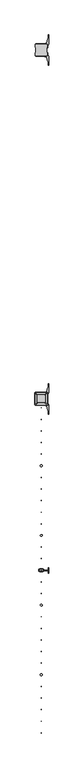
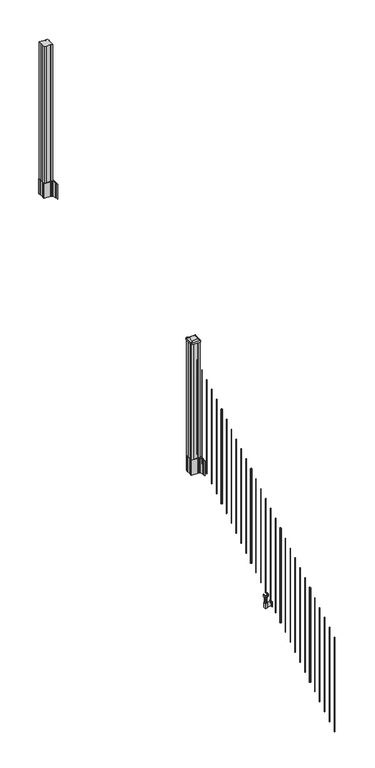
"""IFC4 building model written with IfcOpenShell, lengths in millimetres: railing geometry."""

import ifcopenshell
import ifcopenshell.guid

model = None  # the IFC model being written
_history = None  # IfcOwnerHistory: only IFC2X3 demands one
_inside = {}  # id of a spatial element -> (the spatial element, [elements in it])
_under = {}  # id of a project, library or spatial element -> (it, [spatial elements below it])
_declared = {}  # id of a project -> (the project, [libraries it declares])
_typed = {}  # id of a type object -> (the type object, [elements of that type])
_made_of = {}  # id of a material, layer set ... -> (it, [elements and type objects made of it])


def new_model(schema):
    """Start an empty IFC model of exactly this schema.

    Asked for "IFC4X3", IfcOpenShell would pick the latest addendum, in which some entities
    have other attributes; the version numbers below select the first issue.
    IFC2X3 requires an IfcOwnerHistory on every rooted entity: one is made here for all.
    """
    global model, _history
    if schema == "IFC4X3":
        model = ifcopenshell.file(schema_version=(4, 3, 0, 0))
    else:
        model = ifcopenshell.file(schema=schema)
    _inside.clear()
    _under.clear()
    _declared.clear()
    _typed.clear()
    _made_of.clear()
    _history = None
    if model.schema == "IFC2X3":
        org = make("IfcOrganization", Name="unknown")
        user = make(
            "IfcPersonAndOrganization",
            ThePerson=make("IfcPerson", FamilyName="unknown"),
            TheOrganization=org,
        )
        app = make(
            "IfcApplication",
            ApplicationDeveloper=org,
            Version="unknown",
            ApplicationFullName="unknown",
            ApplicationIdentifier="unknown",
        )
        _history = make(
            "IfcOwnerHistory",
            OwningUser=user,
            OwningApplication=app,
            ChangeAction="ADDED",
            CreationDate=0,
        )
    return model


def make(cls, **values):
    """One entity of the class cls with the attributes given. An attribute that is None is left unset."""
    return model.create_entity(
        cls, **{name: value for name, value in values.items() if value is not None}
    )


def rooted(cls, **values):
    """An entity with a GlobalId (a new one), such as an element, a storey or a relation."""
    return make(cls, GlobalId=ifcopenshell.guid.new(), OwnerHistory=_history, **values)


def si_unit(unit_type, name, prefix=None):
    """IfcSIUnit, for example si_unit("LENGTHUNIT", "METRE", prefix="MILLI")."""
    return make("IfcSIUnit", UnitType=unit_type, Prefix=prefix, Name=name)


def assignment(units):
    """IfcUnitAssignment: the units of a project."""
    return None if units is None else make("IfcUnitAssignment", Units=units)


def point(xyz):
    """IfcCartesianPoint."""
    return None if xyz is None else make("IfcCartesianPoint", Coordinates=xyz)


def direction(xyz):
    """IfcDirection."""
    return None if xyz is None else make("IfcDirection", DirectionRatios=xyz)


def frame(location, z_axis=None, x_axis=None):
    """IfcAxis2Placement3D, a coordinate frame: its origin and axes. An axis left out is left unset."""
    return make(
        "IfcAxis2Placement3D",
        Location=point(location),
        Axis=direction(z_axis),
        RefDirection=direction(x_axis),
    )


def frame_2d(location, x_axis=None):
    """IfcAxis2Placement2D, a coordinate frame in the plane: its origin and x axis."""
    return make(
        "IfcAxis2Placement2D", Location=point(location), RefDirection=direction(x_axis)
    )


def origin():
    """The frame at (0, 0, 0) with its axes left unset."""
    return frame((0.0, 0.0, 0.0))


def place(relative_to, where):
    """IfcLocalPlacement: puts the frame where relative to a parent placement (None: the world)."""
    return make(
        "IfcLocalPlacement", PlacementRelTo=relative_to, RelativePlacement=where
    )


def context(
    kind, dimensions, precision=None, world=None, true_north=None, identifier=None
):
    """IfcGeometricRepresentationContext, for example the 3D "Model" context."""
    return make(
        "IfcGeometricRepresentationContext",
        ContextIdentifier=identifier,
        ContextType=kind,
        CoordinateSpaceDimension=dimensions,
        Precision=precision,
        WorldCoordinateSystem=world,
        TrueNorth=true_north,
    )


def project(units=None, contexts=None):
    """IfcProject with its units and contexts."""
    return rooted(
        "IfcProject",
        Name="project",
        RepresentationContexts=contexts,
        UnitsInContext=assignment(units),
    )


def spatial(cls, under=None, at=None, **own):
    """A site, building, storey or space (cls), placed at a placement, below another one or the project."""
    s = rooted(cls, ObjectPlacement=at, **own)
    if under is not None:
        _under.setdefault(under.id(), (under, []))[1].append(s)
    return s


def polyline(points):
    """IfcPolyline through the points."""
    return make("IfcPolyline", Points=[point(p) for p in points])


def circle_curve(where, radius):
    """IfcCircle in the frame where."""
    return make("IfcCircle", Position=where, Radius=radius)


def trimmed(basis, trim1, trim2, sense, master):
    """IfcTrimmedCurve: the piece of a basis curve between two trims."""
    return make(
        "IfcTrimmedCurve",
        BasisCurve=basis,
        Trim1=trim1,
        Trim2=trim2,
        SenseAgreement=sense,
        MasterRepresentation=master,
    )


def segment(curve, same_sense, transition):
    """IfcCompositeCurveSegment."""
    return make(
        "IfcCompositeCurveSegment",
        Transition=transition,
        SameSense=same_sense,
        ParentCurve=curve,
    )


def composite_curve(segments, self_intersect=None):
    """IfcCompositeCurve: segments joined end to end."""
    return make("IfcCompositeCurve", Segments=segments, SelfIntersect=self_intersect)


def outline(outer, holes=None, kind="AREA"):
    """IfcArbitraryClosedProfileDef: a profile drawn as a closed curve; with holes, ...WithVoids."""
    if holes is None:
        return make("IfcArbitraryClosedProfileDef", ProfileType=kind, OuterCurve=outer)
    return make(
        "IfcArbitraryProfileDefWithVoids",
        ProfileType=kind,
        OuterCurve=outer,
        InnerCurves=holes,
    )


def extrude(swept, where, along, depth):
    """IfcExtrudedAreaSolid: the profile swept, set in the frame where, extruded along a direction by depth."""
    return make(
        "IfcExtrudedAreaSolid",
        SweptArea=swept,
        Position=where,
        ExtrudedDirection=direction(along),
        Depth=depth,
    )


def shape(context_of_items, identifier, shape_type, items):
    """IfcShapeRepresentation: the items that make up one representation, for example the "Body"."""
    return make(
        "IfcShapeRepresentation",
        ContextOfItems=context_of_items,
        RepresentationIdentifier=identifier,
        RepresentationType=shape_type,
        Items=items,
    )


def source(mapping_origin, context_of_items, identifier, shape_type, items):
    """IfcRepresentationMap: a shape defined once, which mapped items show again and again."""
    return make(
        "IfcRepresentationMap",
        MappingOrigin=mapping_origin,
        MappedRepresentation=shape(context_of_items, identifier, shape_type, items),
    )


def transform(
    local_origin,
    x_axis=None,
    y_axis=None,
    z_axis=None,
    scale=None,
    scale2=None,
    scale3=None,
    uniform=True,
):
    """IfcCartesianTransformationOperator3D, or its non-uniform kind. x_axis, y_axis, z_axis: its Axis1, 2, 3."""
    if uniform:
        return make(
            "IfcCartesianTransformationOperator3D",
            Axis1=direction(x_axis),
            Axis2=direction(y_axis),
            LocalOrigin=point(local_origin),
            Scale=scale,
            Axis3=direction(z_axis),
        )
    return make(
        "IfcCartesianTransformationOperator3DnonUniform",
        Axis1=direction(x_axis),
        Axis2=direction(y_axis),
        LocalOrigin=point(local_origin),
        Scale=scale,
        Axis3=direction(z_axis),
        Scale2=scale2,
        Scale3=scale3,
    )


def mapped(mapping_source, mapping_target):
    """IfcMappedItem: shows the shape of a source again, moved by a transform."""
    return make(
        "IfcMappedItem", MappingSource=mapping_source, MappingTarget=mapping_target
    )


def made_of(thing, what):
    """Note that an element or type object is made of a material, layer set ...; save() writes the relation."""
    if what is not None:
        _made_of.setdefault(what.id(), (what, []))[1].append(thing)
    return thing


def element(
    cls,
    number,
    at=None,
    inside=None,
    cuts=None,
    type_object=None,
    material=None,
    context=None,
    identifier="Body",
    shape_type=None,
    held_by="IfcProductDefinitionShape",
    body=None,
    shapes=None,
    **own,
):
    """One element of the class cls, such as IfcWall. Its Tag is "e" and its number.

    at: its placement. inside: the storey or other place that contains it. cuts: it is an
    opening in that element (IfcRelVoidsElement). A single representation is given by context,
    identifier, shape_type and body (its items); several are given by shapes. held_by: the class
    of the entity that holds the representations. save() writes the other relations.
    """
    e = rooted(cls, Tag="e%d" % number, ObjectPlacement=at, **own)
    if body is not None:
        shapes = [shape(context, identifier, shape_type, body)]
    if shapes is not None:
        e.Representation = make(held_by, Representations=shapes)
    if inside is not None:
        _inside.setdefault(inside.id(), (inside, []))[1].append(e)
    if cuts is not None:
        rooted(
            "IfcRelVoidsElement", RelatingBuildingElement=cuts, RelatedOpeningElement=e
        )
    if type_object is not None:
        _typed.setdefault(type_object.id(), (type_object, []))[1].append(e)
    return made_of(e, material)


def aggregate(whole, parts):
    """IfcRelAggregates: a whole, such as a stair, and the parts it consists of."""
    return rooted("IfcRelAggregates", RelatingObject=whole, RelatedObjects=parts)


def save(model, path):
    """Write the relations noted so far, then the file.

    IfcRelAggregates (storeys below a building ...), IfcRelContainedInSpatialStructure (elements
    in a storey), IfcRelDefinesByType, IfcRelAssociatesMaterial and IfcRelDeclares: one each for
    every whole, place, type object, material and project.
    """
    for whole, parts in _under.values():
        aggregate(whole, parts)
    for where, things in _inside.values():
        rooted(
            "IfcRelContainedInSpatialStructure",
            RelatedElements=things,
            RelatingStructure=where,
        )
    for kind, things in _typed.values():
        rooted("IfcRelDefinesByType", RelatedObjects=things, RelatingType=kind)
    for what, things in _made_of.values():
        rooted("IfcRelAssociatesMaterial", RelatedObjects=things, RelatingMaterial=what)
    for by, libraries in _declared.values():
        rooted("IfcRelDeclares", RelatingContext=by, RelatedDefinitions=libraries)
    model.write(path)


def plane_surface(at):
    """IfcPlane: the flat surface through the origin of the frame at, square to its z axis."""
    return make("IfcPlane", Position=at)


def extruded_surface(curve, direction_of_extrusion, depth):
    """IfcSurfaceOfLinearExtrusion: the curve pushed along a direction by depth."""
    return make(
        "IfcSurfaceOfLinearExtrusion",
        SweptCurve=make("IfcArbitraryOpenProfileDef", ProfileType="CURVE", Curve=curve),
        ExtrudedDirection=direction(direction_of_extrusion),
        Depth=depth,
    )


def advanced_brep(points, edges, surfaces, faces):
    """IfcAdvancedBrep: a solid bounded by faces that lie on surfaces and meet in shared edges.

    An edge is (start, end): straight between two places in points (the first is 0);
    or (start, end, curve); or (start, end, curve, False) where it runs against its curve.
    A face is (place in surfaces, loops), or (place, loops, False) where it looks against
    its surface's normal. A loop lists edges by number (the first is 1), with a minus sign
    where the edge is run from its end to its start. The first loop is the outer one.
    """
    corners = [point(p) for p in points]
    vertices = [make("IfcVertexPoint", VertexGeometry=c) for c in corners]
    made = []
    for start, end, *more in edges:
        made.append(
            make(
                "IfcEdgeCurve",
                EdgeStart=vertices[start],
                EdgeEnd=vertices[end],
                EdgeGeometry=more[0] if more else make("IfcPolyline", Points=[corners[start], corners[end]]),
                SameSense=more[1] if len(more) > 1 else True,
            )
        )
    hull = []
    for where, loops, *sense in faces:
        bounds = []
        for j, loop in enumerate(loops):
            ring = [make("IfcOrientedEdge", EdgeElement=made[abs(k) - 1], Orientation=k > 0) for k in loop]
            bounds.append(
                make(
                    "IfcFaceOuterBound" if j == 0 else "IfcFaceBound",
                    Bound=make("IfcEdgeLoop", EdgeList=ring),
                    Orientation=True,
                )
            )
        hull.append(make("IfcAdvancedFace", Bounds=bounds, FaceSurface=surfaces[where], SameSense=sense[0] if sense else True))
    return make("IfcAdvancedBrep", Outer=make("IfcClosedShell", CfsFaces=hull))


def railing_956909bb(model_context):
    return source(origin(), model_context, "Body", "SolidModel", [
        extrude(outline(composite_curve([segment(polyline([(10012.5302728, -85037.4489401), (10012.5302728, -85002.6767504), (10010.9427728, -85001.9147504), (10010.9427728, -84979.1128224), (10014.3157498, -84975.7398453), (10075.7754206, -84975.7398453), (10075.7754206, -84974.8190953), (10081.0929645, -84974.8190953), (10081.0929645, -84973.3648406), (10086.1774942, -84973.3648406), (10086.1774942, -84972.0808168), (10087.8447665, -84972.0808168)]), True, "CONTINUOUS"), segment(trimmed(circle_curve(frame_2d((10087.8447665, -84965.0213569)), 7.0594599), [point((10087.8447665, -84972.0808168))], [point((10094.6120293, -84967.0313636))], True, "CARTESIAN"), True, "CONTINUOUS"), segment(polyline([(10094.6120293, -84967.0313636), (10102.4862236, -84940.5206345)]), True, "CONTINUOUS"), segment(trimmed(circle_curve(frame_2d((10047.7017103, -84924.2485848)), 57.15), [point((10102.4862236, -84940.5206345))], [point((10104.8517103, -84924.2485848))], True, "CARTESIAN"), True, "CONTINUOUS"), segment(polyline([(10104.8517103, -84924.2485848), (10104.8517103, -84912.2398453), (10107.8517103, -84912.2398453), (10107.8517103, -84977.3273453), (10099.5887728, -84988.6656366), (10099.5887728, -85001.9147504), (10098.0012728, -85002.6767504), (10098.0012728, -85037.4489401), (10099.5887728, -85038.2109401), (10099.5887728, -85051.460054), (10107.8517103, -85062.7983453), (10107.8517103, -85127.8858453), (10104.8517103, -85127.8858453), (10104.8517103, -85115.8771057)]), True, "CONTINUOUS"), segment(trimmed(circle_curve(frame_2d((10047.7017103, -85115.8771057)), 57.15), [point((10104.8517103, -85115.8771057))], [point((10102.4862236, -85099.6050561))], True, "CARTESIAN"), True, "CONTINUOUS"), segment(polyline([(10102.4862236, -85099.6050561), (10094.6120293, -85073.094327)]), True, "CONTINUOUS"), segment(trimmed(circle_curve(frame_2d((10087.8447665, -85075.1043337)), 7.0594599), [point((10094.6120293, -85073.094327))], [point((10087.8447665, -85068.0448738))], True, "CARTESIAN"), True, "CONTINUOUS"), segment(polyline([(10087.8447665, -85068.0448738), (10086.1774942, -85068.0448738), (10086.1774942, -85066.76085), (10081.0929645, -85066.76085), (10081.0929645, -85065.3065953), (10075.7754206, -85065.3065953), (10075.7754206, -85064.3858453), (10014.3157498, -85064.3858453), (10010.9427728, -85061.0128682), (10010.9427728, -85038.2109401), (10012.5302728, -85037.4489401)]), True, "CONTINUOUS")], self_intersect=False), holes=[polyline([(10096.5407728, -84980.3753453), (10094.9532728, -84978.7878453), (10058.0289902, -84978.7878453), (10015.5782728, -84978.7878453), (10013.9907728, -84980.3753453), (10013.9907728, -85059.7503453), (10015.5782728, -85061.3378453), (10058.0289902, -85061.3378453), (10094.9532728, -85061.3378453), (10096.5407728, -85059.7503453), (10096.5407728, -84980.3753453)])]), frame((0.0, 0.0, 1562.1), z_axis=(0.0, 0.0, 1.0), x_axis=(1.0, 0.0, 0.0)), (0.0, 0.0, 1.0), 152.4),
        advanced_brep(
        [(10081.0626478, -85049.0347203, 2926.839263), (10084.2376478, -85045.8597203, 2926.839263), (10084.2376478, -84994.2659703, 2926.839263), (10081.0626478, -84991.0909703, 2926.839263), (10029.4688978, -84991.0909703, 2926.839263), (10026.2938978, -84994.2659703, 2926.839263), (10026.2938978, -85045.8597203, 2926.839263), (10029.4688978, -85049.0347203, 2926.839263), (10097.3345228, -85065.3065953, 2915.536263), (10013.1970228, -85065.3065953, 2915.536263), (10010.0220228, -85062.1315953, 2915.536263), (10010.0220228, -84977.9940953, 2915.536263), (10013.1970228, -84974.8190953, 2915.536263), (10097.3345228, -84974.8190953, 2915.536263), (10100.5095228, -84977.9940953, 2915.536263), (10100.5095228, -85062.1315953, 2915.536263)],
        [
            (0, 1, circle_curve(frame((10081.0626478, -85045.8597203, 2926.839263), z_axis=(0.0, 0.0, 1.0), x_axis=(0.0, 1.0, 0.0)), 3.175)),
            (1, 2),
            (2, 3, circle_curve(frame((10081.0626478, -84994.2659703, 2926.839263), z_axis=(0.0, 0.0, 1.0), x_axis=(0.0, 1.0, 0.0)), 3.175)),
            (3, 4),
            (4, 5, circle_curve(frame((10029.4688978, -84994.2659703, 2926.839263), z_axis=(0.0, 0.0, 1.0), x_axis=(0.0, 1.0, 0.0)), 3.175)),
            (5, 6),
            (6, 7, circle_curve(frame((10029.4688978, -85045.8597203, 2926.839263), z_axis=(0.0, 0.0, 1.0), x_axis=(0.0, 1.0, 0.0)), 3.175)),
            (7, 0),
            (8, 9),
            (9, 10, circle_curve(frame((10013.1970228, -85062.1315953, 2915.536263), z_axis=(0.0, 0.0, -1.0), x_axis=(0.0, 1.0, 0.0)), 3.175)),
            (10, 11),
            (11, 12, circle_curve(frame((10013.1970228, -84977.9940953, 2915.536263), z_axis=(0.0, 0.0, -1.0), x_axis=(0.0, 1.0, 0.0)), 3.175)),
            (12, 13),
            (13, 14, circle_curve(frame((10097.3345228, -84977.9940953, 2915.536263), z_axis=(0.0, 0.0, -1.0), x_axis=(0.0, 1.0, 0.0)), 3.175)),
            (14, 15),
            (15, 8, circle_curve(frame((10097.3345228, -85062.1315953, 2915.536263), z_axis=(0.0, 0.0, -1.0), x_axis=(0.0, 1.0, 0.0)), 3.175)),
            (15, 1),
            (0, 8),
            (14, 2),
            (13, 3),
            (12, 4),
            (11, 5),
            (10, 6),
            (9, 7),
        ],
        [
            plane_surface(frame((10055.2657728, -85020.0628453, 2926.839263), z_axis=(0.0, 0.0, 1.0), x_axis=(1.0, 0.0, 0.0))),
            plane_surface(frame((10055.2657728, -85020.0628453, 2915.536263), z_axis=(0.0, 0.0, -1.0), x_axis=(1.0, 0.0, 0.0))),
            extruded_surface(trimmed(circle_curve(frame((10097.3345228, -85062.1315953, 2915.536263), z_axis=(0.0, 0.0, 1.0), x_axis=(0.0, 1.0, 0.0)), 3.175), [point((10097.3345228, -85065.3065953, 2915.536263))], [point((10100.5095228, -85062.1315953, 2915.536263))], True, "CARTESIAN"), (-16.271875000000364, 16.27187500000582, 11.302999999999884), 25.637972638870036),
            plane_surface(frame((10100.5095228, -85020.0628453, 2915.536263), z_axis=(0.5705009161540778, 0.0, 0.8212969649690408), x_axis=(0.0, 1.0, 0.0))),
            extruded_surface(trimmed(circle_curve(frame((10097.3345228, -84977.9940953, 2915.536263), z_axis=(0.0, 0.0, 1.0), x_axis=(0.0, 1.0, 0.0)), 3.175), [point((10100.5095228, -84977.9940953, 2915.536263))], [point((10097.3345228, -84974.8190953, 2915.536263))], True, "CARTESIAN"), (-16.271875000000364, -16.27187499999127, 11.302999999999884), 25.637972638860802),
            plane_surface(frame((10055.2657728, -84974.8190953, 2915.536263), z_axis=(0.0, 0.5705009161540291, 0.8212969649690747), x_axis=(-1.0, 0.0, 0.0))),
            extruded_surface(trimmed(circle_curve(frame((10013.1970228, -84977.9940953, 2915.536263), z_axis=(0.0, 0.0, 1.0), x_axis=(0.0, 1.0, 0.0)), 3.175), [point((10013.1970228, -84974.8190953, 2915.536263))], [point((10010.0220228, -84977.9940953, 2915.536263))], True, "CARTESIAN"), (16.271875000000364, -16.27187499999127, 11.302999999999884), 25.637972638860802),
            plane_surface(frame((10010.0220228, -85020.0628453, 2915.536263), z_axis=(-0.5705009161540142, 0.0, 0.8212969649690851), x_axis=(0.0, -1.0, 0.0))),
            extruded_surface(trimmed(circle_curve(frame((10013.1970228, -85062.1315953, 2915.536263), z_axis=(0.0, 0.0, 1.0), x_axis=(0.0, 1.0, 0.0)), 3.175), [point((10010.0220228, -85062.1315953, 2915.536263))], [point((10013.1970228, -85065.3065953, 2915.536263))], True, "CARTESIAN"), (16.271875000000364, 16.27187500000582, 11.302999999999884), 25.637972638870036),
            plane_surface(frame((10055.2657728, -85065.3065953, 2915.536263), z_axis=(0.0, -0.570500916154034, 0.8212969649690713), x_axis=(1.0, 0.0, 0.0))),
        ],
        [
            (0, [[1, 2, 3, 4, 5, 6, 7, 8]]),
            (1, [[9, 10, 11, 12, 13, 14, 15, 16]]),
            (2, [[-16, 17, -1, 18]]),
            (3, [[-15, 19, -2, -17]]),
            (4, [[-14, 20, -3, -19]]),
            (5, [[-13, 21, -4, -20]]),
            (6, [[-12, 22, -5, -21]]),
            (7, [[-11, 23, -6, -22]]),
            (8, [[-10, 24, -7, -23]]),
            (9, [[-9, -18, -8, -24]]),
        ],
    ),
        extrude(outline(composite_curve([segment(polyline([(10097.3345228, -85065.3065953), (10013.1970228, -85065.3065953)]), True, "CONTINUOUS"), segment(trimmed(circle_curve(frame_2d((10013.1970228, -85062.1315953)), 3.175), [point((10013.1970228, -85065.3065953))], [point((10010.0220228, -85062.1315953))], False, "CARTESIAN"), True, "CONTINUOUS"), segment(polyline([(10010.0220228, -85062.1315953), (10010.0220228, -84977.9940953)]), True, "CONTINUOUS"), segment(trimmed(circle_curve(frame_2d((10013.1970228, -84977.9940953)), 3.175), [point((10010.0220228, -84977.9940953))], [point((10013.1970228, -84974.8190953))], False, "CARTESIAN"), True, "CONTINUOUS"), segment(polyline([(10013.1970228, -84974.8190953), (10097.3345228, -84974.8190953)]), True, "CONTINUOUS"), segment(trimmed(circle_curve(frame_2d((10097.3345228, -84977.9940953)), 3.175), [point((10097.3345228, -84974.8190953))], [point((10100.5095228, -84977.9940953))], False, "CARTESIAN"), True, "CONTINUOUS"), segment(polyline([(10100.5095228, -84977.9940953), (10100.5095228, -85062.1315953)]), True, "CONTINUOUS"), segment(trimmed(circle_curve(frame_2d((10097.3345228, -85062.1315953)), 3.175), [point((10100.5095228, -85062.1315953))], [point((10097.3345228, -85065.3065953))], False, "CARTESIAN"), True, "CONTINUOUS")], self_intersect=False)), frame((0.0, 0.0, 2898.264263), z_axis=(0.0, 0.0, 1.0), x_axis=(1.0, 0.0, 0.0)), (0.0, 0.0, 1.0), 17.272),
        extrude(outline(polyline([(10094.9532728, -85061.3378453), (10075.3317728, -85061.3378453), (10074.5697728, -85059.7503453), (10035.9617728, -85059.7503453), (10035.1997728, -85061.3378453), (10015.5782728, -85061.3378453), (10013.9907728, -85059.7503453), (10013.9907728, -85040.1288453), (10015.5782728, -85039.3668453), (10015.5782728, -85000.7588453), (10013.9907728, -84999.9968453), (10013.9907728, -84980.3753453), (10015.5782728, -84978.7878453), (10035.1997728, -84978.7878453), (10035.9617728, -84980.3753453), (10074.5697728, -84980.3753453), (10075.3317728, -84978.7878453), (10094.9532728, -84978.7878453), (10096.5407728, -84980.3753453), (10096.5407728, -84999.9968453), (10094.9532728, -85000.7588453), (10094.9532728, -85039.3668453), (10096.5407728, -85040.1288453), (10096.5407728, -85059.7503453), (10094.9532728, -85061.3378453)])), frame((0.0, 0.0, 1714.5), z_axis=(0.0, 0.0, 1.0), x_axis=(1.0, 0.0, 0.0)), (0.0, 0.0, 1.0), 1183.764263),
        extrude(outline(composite_curve([segment(trimmed(circle_curve(frame_2d((10055.2657728, -85083.5628453)), 1.5875), [point((10053.6782728, -85083.5628453))], [point((10055.2657728, -85081.9753453))], False, "CARTESIAN"), True, "CONTINUOUS"), segment(trimmed(circle_curve(frame_2d((10055.2657728, -85083.5628453)), 1.5875), [point((10055.2657728, -85081.9753453))], [point((10056.8532728, -85083.5628453))], False, "CARTESIAN"), True, "CONTINUOUS"), segment(trimmed(circle_curve(frame_2d((10055.2657728, -85083.5628453)), 1.5875), [point((10056.8532728, -85083.5628453))], [point((10055.2657728, -85085.1503453))], False, "CARTESIAN"), True, "CONTINUOUS"), segment(trimmed(circle_curve(frame_2d((10055.2657728, -85083.5628453)), 1.5875), [point((10055.2657728, -85085.1503453))], [point((10053.6782728, -85083.5628453))], False, "CARTESIAN"), True, "CONTINUOUS")], self_intersect=False)), frame((0.0, 0.0, 1776.4083781), z_axis=(0.0, 0.0, 1.0), x_axis=(1.0, 0.0, 0.0)), (0.0, 0.0, 1.0), 965.2041219),
        extrude(outline(composite_curve([segment(trimmed(circle_curve(frame_2d((10055.2657728, -85166.1128453)), 1.5875), [point((10053.6782728, -85166.1128453))], [point((10055.2657728, -85164.5253453))], False, "CARTESIAN"), True, "CONTINUOUS"), segment(trimmed(circle_curve(frame_2d((10055.2657728, -85166.1128453)), 1.5875), [point((10055.2657728, -85164.5253453))], [point((10056.8532728, -85166.1128453))], False, "CARTESIAN"), True, "CONTINUOUS"), segment(trimmed(circle_curve(frame_2d((10055.2657728, -85166.1128453)), 1.5875), [point((10056.8532728, -85166.1128453))], [point((10055.2657728, -85167.7003453))], False, "CARTESIAN"), True, "CONTINUOUS"), segment(trimmed(circle_curve(frame_2d((10055.2657728, -85166.1128453)), 1.5875), [point((10055.2657728, -85167.7003453))], [point((10053.6782728, -85166.1128453))], False, "CARTESIAN"), True, "CONTINUOUS")], self_intersect=False)), frame((0.0, 0.0, 1724.8146281), z_axis=(0.0, 0.0, 1.0), x_axis=(1.0, 0.0, 0.0)), (0.0, 0.0, 1.0), 965.2041219),
        extrude(outline(composite_curve([segment(trimmed(circle_curve(frame_2d((10055.2657728, -85248.6628453)), 1.5875), [point((10053.6782728, -85248.6628453))], [point((10055.2657728, -85247.0753453))], False, "CARTESIAN"), True, "CONTINUOUS"), segment(trimmed(circle_curve(frame_2d((10055.2657728, -85248.6628453)), 1.5875), [point((10055.2657728, -85247.0753453))], [point((10056.8532728, -85248.6628453))], False, "CARTESIAN"), True, "CONTINUOUS"), segment(trimmed(circle_curve(frame_2d((10055.2657728, -85248.6628453)), 1.5875), [point((10056.8532728, -85248.6628453))], [point((10055.2657728, -85250.2503453))], False, "CARTESIAN"), True, "CONTINUOUS"), segment(trimmed(circle_curve(frame_2d((10055.2657728, -85248.6628453)), 1.5875), [point((10055.2657728, -85250.2503453))], [point((10053.6782728, -85248.6628453))], False, "CARTESIAN"), True, "CONTINUOUS")], self_intersect=False)), frame((0.0, 0.0, 1673.2208781), z_axis=(0.0, 0.0, 1.0), x_axis=(1.0, 0.0, 0.0)), (0.0, 0.0, 1.0), 965.2041219),
        extrude(outline(composite_curve([segment(trimmed(circle_curve(frame_2d((10055.2657728, -85331.2128453)), 1.5875), [point((10053.6782728, -85331.2128453))], [point((10055.2657728, -85329.6253453))], False, "CARTESIAN"), True, "CONTINUOUS"), segment(trimmed(circle_curve(frame_2d((10055.2657728, -85331.2128453)), 1.5875), [point((10055.2657728, -85329.6253453))], [point((10056.8532728, -85331.2128453))], False, "CARTESIAN"), True, "CONTINUOUS"), segment(trimmed(circle_curve(frame_2d((10055.2657728, -85331.2128453)), 1.5875), [point((10056.8532728, -85331.2128453))], [point((10055.2657728, -85332.8003453))], False, "CARTESIAN"), True, "CONTINUOUS"), segment(trimmed(circle_curve(frame_2d((10055.2657728, -85331.2128453)), 1.5875), [point((10055.2657728, -85332.8003453))], [point((10053.6782728, -85331.2128453))], False, "CARTESIAN"), True, "CONTINUOUS")], self_intersect=False)), frame((0.0, 0.0, 1621.6271281), z_axis=(0.0, 0.0, 1.0), x_axis=(1.0, 0.0, 0.0)), (0.0, 0.0, 1.0), 965.2041219),
        extrude(outline(composite_curve([segment(trimmed(circle_curve(frame_2d((10055.2657728, -85413.7628453)), 1.5875), [point((10053.6782728, -85413.7628453))], [point((10055.2657728, -85412.1753453))], False, "CARTESIAN"), True, "CONTINUOUS"), segment(trimmed(circle_curve(frame_2d((10055.2657728, -85413.7628453)), 1.5875), [point((10055.2657728, -85412.1753453))], [point((10056.8532728, -85413.7628453))], False, "CARTESIAN"), True, "CONTINUOUS"), segment(trimmed(circle_curve(frame_2d((10055.2657728, -85413.7628453)), 1.5875), [point((10056.8532728, -85413.7628453))], [point((10055.2657728, -85415.3503453))], False, "CARTESIAN"), True, "CONTINUOUS"), segment(trimmed(circle_curve(frame_2d((10055.2657728, -85413.7628453)), 1.5875), [point((10055.2657728, -85415.3503453))], [point((10053.6782728, -85413.7628453))], False, "CARTESIAN"), True, "CONTINUOUS")], self_intersect=False)), frame((0.0, 0.0, 1570.0333781), z_axis=(0.0, 0.0, 1.0), x_axis=(1.0, 0.0, 0.0)), (0.0, 0.0, 1.0), 965.2041219),
        extrude(outline(composite_curve([segment(trimmed(circle_curve(frame_2d((10055.2657728, -85496.3128453)), 6.35), [point((10048.9157728, -85496.3128453))], [point((10055.2657728, -85489.9628453))], False, "CARTESIAN"), True, "CONTINUOUS"), segment(trimmed(circle_curve(frame_2d((10055.2657728, -85496.3128453)), 6.35), [point((10055.2657728, -85489.9628453))], [point((10061.6157728, -85496.3128453))], False, "CARTESIAN"), True, "CONTINUOUS"), segment(trimmed(circle_curve(frame_2d((10055.2657728, -85496.3128453)), 6.35), [point((10061.6157728, -85496.3128453))], [point((10055.2657728, -85502.6628453))], False, "CARTESIAN"), True, "CONTINUOUS"), segment(trimmed(circle_curve(frame_2d((10055.2657728, -85496.3128453)), 6.35), [point((10055.2657728, -85502.6628453))], [point((10048.9157728, -85496.3128453))], False, "CARTESIAN"), True, "CONTINUOUS")], self_intersect=False)), frame((0.0, 0.0, 1518.4396281), z_axis=(0.0, 0.0, 1.0), x_axis=(1.0, 0.0, 0.0)), (0.0, 0.0, 1.0), 965.2041219),
        extrude(outline(composite_curve([segment(trimmed(circle_curve(frame_2d((10055.2657728, -85578.8628453)), 1.5875), [point((10053.6782728, -85578.8628453))], [point((10055.2657728, -85577.2753453))], False, "CARTESIAN"), True, "CONTINUOUS"), segment(trimmed(circle_curve(frame_2d((10055.2657728, -85578.8628453)), 1.5875), [point((10055.2657728, -85577.2753453))], [point((10056.8532728, -85578.8628453))], False, "CARTESIAN"), True, "CONTINUOUS"), segment(trimmed(circle_curve(frame_2d((10055.2657728, -85578.8628453)), 1.5875), [point((10056.8532728, -85578.8628453))], [point((10055.2657728, -85580.4503453))], False, "CARTESIAN"), True, "CONTINUOUS"), segment(trimmed(circle_curve(frame_2d((10055.2657728, -85578.8628453)), 1.5875), [point((10055.2657728, -85580.4503453))], [point((10053.6782728, -85578.8628453))], False, "CARTESIAN"), True, "CONTINUOUS")], self_intersect=False)), frame((0.0, 0.0, 1466.8458781), z_axis=(0.0, 0.0, 1.0), x_axis=(1.0, 0.0, 0.0)), (0.0, 0.0, 1.0), 965.2041219),
        extrude(outline(composite_curve([segment(trimmed(circle_curve(frame_2d((10055.2657728, -85661.4128453)), 1.5875), [point((10053.6782728, -85661.4128453))], [point((10055.2657728, -85659.8253453))], False, "CARTESIAN"), True, "CONTINUOUS"), segment(trimmed(circle_curve(frame_2d((10055.2657728, -85661.4128453)), 1.5875), [point((10055.2657728, -85659.8253453))], [point((10056.8532728, -85661.4128453))], False, "CARTESIAN"), True, "CONTINUOUS"), segment(trimmed(circle_curve(frame_2d((10055.2657728, -85661.4128453)), 1.5875), [point((10056.8532728, -85661.4128453))], [point((10055.2657728, -85663.0003453))], False, "CARTESIAN"), True, "CONTINUOUS"), segment(trimmed(circle_curve(frame_2d((10055.2657728, -85661.4128453)), 1.5875), [point((10055.2657728, -85663.0003453))], [point((10053.6782728, -85661.4128453))], False, "CARTESIAN"), True, "CONTINUOUS")], self_intersect=False)), frame((0.0, 0.0, 1415.2521281), z_axis=(0.0, 0.0, 1.0), x_axis=(1.0, 0.0, 0.0)), (0.0, 0.0, 1.0), 965.2041219),
        extrude(outline(composite_curve([segment(trimmed(circle_curve(frame_2d((10055.2657728, -85743.9628453)), 1.5875), [point((10053.6782728, -85743.9628453))], [point((10055.2657728, -85742.3753453))], False, "CARTESIAN"), True, "CONTINUOUS"), segment(trimmed(circle_curve(frame_2d((10055.2657728, -85743.9628453)), 1.5875), [point((10055.2657728, -85742.3753453))], [point((10056.8532728, -85743.9628453))], False, "CARTESIAN"), True, "CONTINUOUS"), segment(trimmed(circle_curve(frame_2d((10055.2657728, -85743.9628453)), 1.5875), [point((10056.8532728, -85743.9628453))], [point((10055.2657728, -85745.5503453))], False, "CARTESIAN"), True, "CONTINUOUS"), segment(trimmed(circle_curve(frame_2d((10055.2657728, -85743.9628453)), 1.5875), [point((10055.2657728, -85745.5503453))], [point((10053.6782728, -85743.9628453))], False, "CARTESIAN"), True, "CONTINUOUS")], self_intersect=False)), frame((0.0, 0.0, 1363.6583781), z_axis=(0.0, 0.0, 1.0), x_axis=(1.0, 0.0, 0.0)), (0.0, 0.0, 1.0), 965.2041219),
        extrude(outline(composite_curve([segment(trimmed(circle_curve(frame_2d((10055.2657728, -85826.5128453)), 1.5875), [point((10053.6782728, -85826.5128453))], [point((10055.2657728, -85824.9253453))], False, "CARTESIAN"), True, "CONTINUOUS"), segment(trimmed(circle_curve(frame_2d((10055.2657728, -85826.5128453)), 1.5875), [point((10055.2657728, -85824.9253453))], [point((10056.8532728, -85826.5128453))], False, "CARTESIAN"), True, "CONTINUOUS"), segment(trimmed(circle_curve(frame_2d((10055.2657728, -85826.5128453)), 1.5875), [point((10056.8532728, -85826.5128453))], [point((10055.2657728, -85828.1003453))], False, "CARTESIAN"), True, "CONTINUOUS"), segment(trimmed(circle_curve(frame_2d((10055.2657728, -85826.5128453)), 1.5875), [point((10055.2657728, -85828.1003453))], [point((10053.6782728, -85826.5128453))], False, "CARTESIAN"), True, "CONTINUOUS")], self_intersect=False)), frame((0.0, 0.0, 1312.0646281), z_axis=(0.0, 0.0, 1.0), x_axis=(1.0, 0.0, 0.0)), (0.0, 0.0, 1.0), 965.2041219),
        extrude(outline(composite_curve([segment(trimmed(circle_curve(frame_2d((10055.2657728, -85909.0628453)), 1.5875), [point((10053.6782728, -85909.0628453))], [point((10055.2657728, -85907.4753453))], False, "CARTESIAN"), True, "CONTINUOUS"), segment(trimmed(circle_curve(frame_2d((10055.2657728, -85909.0628453)), 1.5875), [point((10055.2657728, -85907.4753453))], [point((10056.8532728, -85909.0628453))], False, "CARTESIAN"), True, "CONTINUOUS"), segment(trimmed(circle_curve(frame_2d((10055.2657728, -85909.0628453)), 1.5875), [point((10056.8532728, -85909.0628453))], [point((10055.2657728, -85910.6503453))], False, "CARTESIAN"), True, "CONTINUOUS"), segment(trimmed(circle_curve(frame_2d((10055.2657728, -85909.0628453)), 1.5875), [point((10055.2657728, -85910.6503453))], [point((10053.6782728, -85909.0628453))], False, "CARTESIAN"), True, "CONTINUOUS")], self_intersect=False)), frame((0.0, 0.0, 1260.4708781), z_axis=(0.0, 0.0, 1.0), x_axis=(1.0, 0.0, 0.0)), (0.0, 0.0, 1.0), 965.2041219),
        extrude(outline(composite_curve([segment(trimmed(circle_curve(frame_2d((10055.2657728, -85991.6128453)), 6.35), [point((10048.9157728, -85991.6128453))], [point((10055.2657728, -85985.2628453))], False, "CARTESIAN"), True, "CONTINUOUS"), segment(trimmed(circle_curve(frame_2d((10055.2657728, -85991.6128453)), 6.35), [point((10055.2657728, -85985.2628453))], [point((10061.6157728, -85991.6128453))], False, "CARTESIAN"), True, "CONTINUOUS"), segment(trimmed(circle_curve(frame_2d((10055.2657728, -85991.6128453)), 6.35), [point((10061.6157728, -85991.6128453))], [point((10055.2657728, -85997.9628453))], False, "CARTESIAN"), True, "CONTINUOUS"), segment(trimmed(circle_curve(frame_2d((10055.2657728, -85991.6128453)), 6.35), [point((10055.2657728, -85997.9628453))], [point((10048.9157728, -85991.6128453))], False, "CARTESIAN"), True, "CONTINUOUS")], self_intersect=False)), frame((0.0, 0.0, 1208.8771281), z_axis=(0.0, 0.0, 1.0), x_axis=(1.0, 0.0, 0.0)), (0.0, 0.0, 1.0), 965.2041219),
        extrude(outline(composite_curve([segment(trimmed(circle_curve(frame_2d((10055.2657728, -86074.1628453)), 1.5875), [point((10053.6782728, -86074.1628453))], [point((10055.2657728, -86072.5753453))], False, "CARTESIAN"), True, "CONTINUOUS"), segment(trimmed(circle_curve(frame_2d((10055.2657728, -86074.1628453)), 1.5875), [point((10055.2657728, -86072.5753453))], [point((10056.8532728, -86074.1628453))], False, "CARTESIAN"), True, "CONTINUOUS"), segment(trimmed(circle_curve(frame_2d((10055.2657728, -86074.1628453)), 1.5875), [point((10056.8532728, -86074.1628453))], [point((10055.2657728, -86075.7503453))], False, "CARTESIAN"), True, "CONTINUOUS"), segment(trimmed(circle_curve(frame_2d((10055.2657728, -86074.1628453)), 1.5875), [point((10055.2657728, -86075.7503453))], [point((10053.6782728, -86074.1628453))], False, "CARTESIAN"), True, "CONTINUOUS")], self_intersect=False)), frame((0.0, 0.0, 1157.2833781), z_axis=(0.0, 0.0, 1.0), x_axis=(1.0, 0.0, 0.0)), (0.0, 0.0, 1.0), 965.2041219),
        extrude(outline(composite_curve([segment(trimmed(circle_curve(frame_2d((10055.2657728, -86156.7128453)), 1.5875), [point((10053.6782728, -86156.7128453))], [point((10055.2657728, -86155.1253453))], False, "CARTESIAN"), True, "CONTINUOUS"), segment(trimmed(circle_curve(frame_2d((10055.2657728, -86156.7128453)), 1.5875), [point((10055.2657728, -86155.1253453))], [point((10056.8532728, -86156.7128453))], False, "CARTESIAN"), True, "CONTINUOUS"), segment(trimmed(circle_curve(frame_2d((10055.2657728, -86156.7128453)), 1.5875), [point((10056.8532728, -86156.7128453))], [point((10055.2657728, -86158.3003453))], False, "CARTESIAN"), True, "CONTINUOUS"), segment(trimmed(circle_curve(frame_2d((10055.2657728, -86156.7128453)), 1.5875), [point((10055.2657728, -86158.3003453))], [point((10053.6782728, -86156.7128453))], False, "CARTESIAN"), True, "CONTINUOUS")], self_intersect=False)), frame((0.0, 0.0, 1105.6896281), z_axis=(0.0, 0.0, 1.0), x_axis=(1.0, 0.0, 0.0)), (0.0, 0.0, 1.0), 965.2041219),
        extrude(outline(polyline([(10065.9337726, -86240.5328453), (10065.9337726, -86237.9928453), (10105.3037728, -86237.9928453), (10105.3037728, -86240.5328453), (10065.9337726, -86240.5328453)])), frame((0.0, 0.0, 901.7), z_axis=(0.0, 0.0, 1.0), x_axis=(1.0, 0.0, 0.0)), (0.0, 0.0, 1.0), 50.8),
        extrude(outline(polyline([(10105.3037728, -86258.3128453), (10105.3037728, -86220.2128453), (10107.8437728, -86220.2128453), (10107.8437728, -86258.3128453), (10105.3037728, -86258.3128453)])), frame((0.0, 0.0, 901.7), z_axis=(0.0, 0.0, 1.0), x_axis=(1.0, 0.0, 0.0)), (0.0, 0.0, 1.0), 50.8),
        extrude(outline(polyline([(10044.597772, -86249.1688453), (10044.597772, -86229.3568453), (10065.9337726, -86229.3568453), (10065.9337726, -86249.1688453), (10044.597772, -86249.1688453)]), holes=[polyline([(10047.8997721, -86246.6288453), (10062.6317725, -86246.6288453), (10062.6317725, -86231.8968453), (10047.8997721, -86231.8968453), (10047.8997721, -86246.6288453)])]), frame((0.0, 0.0, 901.7), z_axis=(0.0, 0.0, 1.0), x_axis=(1.0, 0.0, 0.0)), (0.0, 0.0, 1.0), 50.8),
        extrude(outline(polyline([(1041.2203979, 10073.4267716), (1041.2203979, 10071.394772), (1040.2043953, 10070.3787722), (1029.7686081, 10070.3787722), (1028.7526073, 10071.394772), (1016.762001, 10071.394772), (1016.0000019, 10070.6327729), (1016.0000019, 10039.8987717), (1016.762001, 10039.1367726), (1028.7526073, 10039.1367726), (1029.7686081, 10040.1527724), (1040.2043953, 10040.1527724), (1041.2203979, 10039.1367726), (1041.2203979, 10037.104773), (1040.4583969, 10036.342772), (1013.9680023, 10036.342772), (1013.2060013, 10037.104773), (1013.2060013, 10047.137772), (1012.4440012, 10047.8997721), (948.9440012, 10047.8997721), (948.9440012, 10062.6317725), (1012.4440012, 10062.6317725), (1013.2060013, 10063.3937726), (1013.2060013, 10073.4267716), (1013.9680023, 10074.1887726), (1040.4583969, 10074.1887726), (1041.2203979, 10073.4267716)]), holes=[polyline([(1013.2060013, 10051.8367724), (1013.2060013, 10058.6947722), (1012.4440012, 10059.4567723), (956.4370003, 10059.4567723), (955.6750031, 10058.6947751), (955.6750031, 10051.8367724), (956.4370031, 10051.0747723), (1012.4440012, 10051.0747723), (1013.2060013, 10051.8367724)])]), frame((0.0, -86246.6288453, 0.0), z_axis=(0.0, 1.0, 0.0), x_axis=(0.0, 0.0, 1.0)), (0.0, 0.0, 1.0), 14.732),
        extrude(outline(composite_curve([segment(trimmed(circle_curve(frame_2d((10055.2657728, -86239.2628453)), 1.5875), [point((10053.6782728, -86239.2628453))], [point((10055.2657728, -86237.6753453))], False, "CARTESIAN"), True, "CONTINUOUS"), segment(trimmed(circle_curve(frame_2d((10055.2657728, -86239.2628453)), 1.5875), [point((10055.2657728, -86237.6753453))], [point((10056.8532728, -86239.2628453))], False, "CARTESIAN"), True, "CONTINUOUS"), segment(trimmed(circle_curve(frame_2d((10055.2657728, -86239.2628453)), 1.5875), [point((10056.8532728, -86239.2628453))], [point((10055.2657728, -86240.8503453))], False, "CARTESIAN"), True, "CONTINUOUS"), segment(trimmed(circle_curve(frame_2d((10055.2657728, -86239.2628453)), 1.5875), [point((10055.2657728, -86240.8503453))], [point((10053.6782728, -86239.2628453))], False, "CARTESIAN"), True, "CONTINUOUS")], self_intersect=False)), frame((0.0, 0.0, 1054.0958781), z_axis=(0.0, 0.0, 1.0), x_axis=(1.0, 0.0, 0.0)), (0.0, 0.0, 1.0), 965.2041219),
        extrude(outline(composite_curve([segment(trimmed(circle_curve(frame_2d((10055.2657728, -86321.8128453)), 1.5875), [point((10053.6782728, -86321.8128453))], [point((10055.2657728, -86320.2253453))], False, "CARTESIAN"), True, "CONTINUOUS"), segment(trimmed(circle_curve(frame_2d((10055.2657728, -86321.8128453)), 1.5875), [point((10055.2657728, -86320.2253453))], [point((10056.8532728, -86321.8128453))], False, "CARTESIAN"), True, "CONTINUOUS"), segment(trimmed(circle_curve(frame_2d((10055.2657728, -86321.8128453)), 1.5875), [point((10056.8532728, -86321.8128453))], [point((10055.2657728, -86323.4003453))], False, "CARTESIAN"), True, "CONTINUOUS"), segment(trimmed(circle_curve(frame_2d((10055.2657728, -86321.8128453)), 1.5875), [point((10055.2657728, -86323.4003453))], [point((10053.6782728, -86321.8128453))], False, "CARTESIAN"), True, "CONTINUOUS")], self_intersect=False)), frame((0.0, 0.0, 1002.5021281), z_axis=(0.0, 0.0, 1.0), x_axis=(1.0, 0.0, 0.0)), (0.0, 0.0, 1.0), 965.2041219),
        extrude(outline(composite_curve([segment(trimmed(circle_curve(frame_2d((10055.2657728, -86404.3628453)), 1.5875), [point((10053.6782728, -86404.3628453))], [point((10055.2657728, -86402.7753453))], False, "CARTESIAN"), True, "CONTINUOUS"), segment(trimmed(circle_curve(frame_2d((10055.2657728, -86404.3628453)), 1.5875), [point((10055.2657728, -86402.7753453))], [point((10056.8532728, -86404.3628453))], False, "CARTESIAN"), True, "CONTINUOUS"), segment(trimmed(circle_curve(frame_2d((10055.2657728, -86404.3628453)), 1.5875), [point((10056.8532728, -86404.3628453))], [point((10055.2657728, -86405.9503453))], False, "CARTESIAN"), True, "CONTINUOUS"), segment(trimmed(circle_curve(frame_2d((10055.2657728, -86404.3628453)), 1.5875), [point((10055.2657728, -86405.9503453))], [point((10053.6782728, -86404.3628453))], False, "CARTESIAN"), True, "CONTINUOUS")], self_intersect=False)), frame((0.0, 0.0, 950.9083781), z_axis=(0.0, 0.0, 1.0), x_axis=(1.0, 0.0, 0.0)), (0.0, 0.0, 1.0), 965.2041219),
        extrude(outline(composite_curve([segment(trimmed(circle_curve(frame_2d((10055.2657728, -86486.9128453)), 6.35), [point((10048.9157728, -86486.9128453))], [point((10055.2657728, -86480.5628453))], False, "CARTESIAN"), True, "CONTINUOUS"), segment(trimmed(circle_curve(frame_2d((10055.2657728, -86486.9128453)), 6.35), [point((10055.2657728, -86480.5628453))], [point((10061.6157728, -86486.9128453))], False, "CARTESIAN"), True, "CONTINUOUS"), segment(trimmed(circle_curve(frame_2d((10055.2657728, -86486.9128453)), 6.35), [point((10061.6157728, -86486.9128453))], [point((10055.2657728, -86493.2628453))], False, "CARTESIAN"), True, "CONTINUOUS"), segment(trimmed(circle_curve(frame_2d((10055.2657728, -86486.9128453)), 6.35), [point((10055.2657728, -86493.2628453))], [point((10048.9157728, -86486.9128453))], False, "CARTESIAN"), True, "CONTINUOUS")], self_intersect=False)), frame((0.0, 0.0, 899.3146281), z_axis=(0.0, 0.0, 1.0), x_axis=(1.0, 0.0, 0.0)), (0.0, 0.0, 1.0), 965.2041219),
        extrude(outline(composite_curve([segment(trimmed(circle_curve(frame_2d((10055.2657728, -86569.4628453)), 1.5875), [point((10053.6782728, -86569.4628453))], [point((10055.2657728, -86567.8753453))], False, "CARTESIAN"), True, "CONTINUOUS"), segment(trimmed(circle_curve(frame_2d((10055.2657728, -86569.4628453)), 1.5875), [point((10055.2657728, -86567.8753453))], [point((10056.8532728, -86569.4628453))], False, "CARTESIAN"), True, "CONTINUOUS"), segment(trimmed(circle_curve(frame_2d((10055.2657728, -86569.4628453)), 1.5875), [point((10056.8532728, -86569.4628453))], [point((10055.2657728, -86571.0503453))], False, "CARTESIAN"), True, "CONTINUOUS"), segment(trimmed(circle_curve(frame_2d((10055.2657728, -86569.4628453)), 1.5875), [point((10055.2657728, -86571.0503453))], [point((10053.6782728, -86569.4628453))], False, "CARTESIAN"), True, "CONTINUOUS")], self_intersect=False)), frame((0.0, 0.0, 847.7208781), z_axis=(0.0, 0.0, 1.0), x_axis=(1.0, 0.0, 0.0)), (0.0, 0.0, 1.0), 965.2041219),
        extrude(outline(composite_curve([segment(trimmed(circle_curve(frame_2d((10055.2657728, -86652.0128453)), 1.5875), [point((10053.6782728, -86652.0128453))], [point((10055.2657728, -86650.4253453))], False, "CARTESIAN"), True, "CONTINUOUS"), segment(trimmed(circle_curve(frame_2d((10055.2657728, -86652.0128453)), 1.5875), [point((10055.2657728, -86650.4253453))], [point((10056.8532728, -86652.0128453))], False, "CARTESIAN"), True, "CONTINUOUS"), segment(trimmed(circle_curve(frame_2d((10055.2657728, -86652.0128453)), 1.5875), [point((10056.8532728, -86652.0128453))], [point((10055.2657728, -86653.6003453))], False, "CARTESIAN"), True, "CONTINUOUS"), segment(trimmed(circle_curve(frame_2d((10055.2657728, -86652.0128453)), 1.5875), [point((10055.2657728, -86653.6003453))], [point((10053.6782728, -86652.0128453))], False, "CARTESIAN"), True, "CONTINUOUS")], self_intersect=False)), frame((0.0, 0.0, 796.1271281), z_axis=(0.0, 0.0, 1.0), x_axis=(1.0, 0.0, 0.0)), (0.0, 0.0, 1.0), 965.2041219),
        extrude(outline(composite_curve([segment(trimmed(circle_curve(frame_2d((10055.2657728, -86734.5628453)), 1.5875), [point((10053.6782728, -86734.5628453))], [point((10055.2657728, -86732.9753453))], False, "CARTESIAN"), True, "CONTINUOUS"), segment(trimmed(circle_curve(frame_2d((10055.2657728, -86734.5628453)), 1.5875), [point((10055.2657728, -86732.9753453))], [point((10056.8532728, -86734.5628453))], False, "CARTESIAN"), True, "CONTINUOUS"), segment(trimmed(circle_curve(frame_2d((10055.2657728, -86734.5628453)), 1.5875), [point((10056.8532728, -86734.5628453))], [point((10055.2657728, -86736.1503453))], False, "CARTESIAN"), True, "CONTINUOUS"), segment(trimmed(circle_curve(frame_2d((10055.2657728, -86734.5628453)), 1.5875), [point((10055.2657728, -86736.1503453))], [point((10053.6782728, -86734.5628453))], False, "CARTESIAN"), True, "CONTINUOUS")], self_intersect=False)), frame((0.0, 0.0, 744.5333781), z_axis=(0.0, 0.0, 1.0), x_axis=(1.0, 0.0, 0.0)), (0.0, 0.0, 1.0), 965.2041219),
        extrude(outline(composite_curve([segment(trimmed(circle_curve(frame_2d((10055.2657728, -86817.1128453)), 1.5875), [point((10053.6782728, -86817.1128453))], [point((10055.2657728, -86815.5253453))], False, "CARTESIAN"), True, "CONTINUOUS"), segment(trimmed(circle_curve(frame_2d((10055.2657728, -86817.1128453)), 1.5875), [point((10055.2657728, -86815.5253453))], [point((10056.8532728, -86817.1128453))], False, "CARTESIAN"), True, "CONTINUOUS"), segment(trimmed(circle_curve(frame_2d((10055.2657728, -86817.1128453)), 1.5875), [point((10056.8532728, -86817.1128453))], [point((10055.2657728, -86818.7003453))], False, "CARTESIAN"), True, "CONTINUOUS"), segment(trimmed(circle_curve(frame_2d((10055.2657728, -86817.1128453)), 1.5875), [point((10055.2657728, -86818.7003453))], [point((10053.6782728, -86817.1128453))], False, "CARTESIAN"), True, "CONTINUOUS")], self_intersect=False)), frame((0.0, 0.0, 692.9396281), z_axis=(0.0, 0.0, 1.0), x_axis=(1.0, 0.0, 0.0)), (0.0, 0.0, 1.0), 965.2041219),
        extrude(outline(composite_curve([segment(trimmed(circle_curve(frame_2d((10055.2657728, -86899.6628453)), 1.5875), [point((10053.6782728, -86899.6628453))], [point((10055.2657728, -86898.0753453))], False, "CARTESIAN"), True, "CONTINUOUS"), segment(trimmed(circle_curve(frame_2d((10055.2657728, -86899.6628453)), 1.5875), [point((10055.2657728, -86898.0753453))], [point((10056.8532728, -86899.6628453))], False, "CARTESIAN"), True, "CONTINUOUS"), segment(trimmed(circle_curve(frame_2d((10055.2657728, -86899.6628453)), 1.5875), [point((10056.8532728, -86899.6628453))], [point((10055.2657728, -86901.2503453))], False, "CARTESIAN"), True, "CONTINUOUS"), segment(trimmed(circle_curve(frame_2d((10055.2657728, -86899.6628453)), 1.5875), [point((10055.2657728, -86901.2503453))], [point((10053.6782728, -86899.6628453))], False, "CARTESIAN"), True, "CONTINUOUS")], self_intersect=False)), frame((0.0, 0.0, 641.3458781), z_axis=(0.0, 0.0, 1.0), x_axis=(1.0, 0.0, 0.0)), (0.0, 0.0, 1.0), 965.2041219),
        extrude(outline(composite_curve([segment(trimmed(circle_curve(frame_2d((10055.2657728, -86982.2128453)), 6.35), [point((10048.9157728, -86982.2128453))], [point((10055.2657728, -86975.8628453))], False, "CARTESIAN"), True, "CONTINUOUS"), segment(trimmed(circle_curve(frame_2d((10055.2657728, -86982.2128453)), 6.35), [point((10055.2657728, -86975.8628453))], [point((10061.6157728, -86982.2128453))], False, "CARTESIAN"), True, "CONTINUOUS"), segment(trimmed(circle_curve(frame_2d((10055.2657728, -86982.2128453)), 6.35), [point((10061.6157728, -86982.2128453))], [point((10055.2657728, -86988.5628453))], False, "CARTESIAN"), True, "CONTINUOUS"), segment(trimmed(circle_curve(frame_2d((10055.2657728, -86982.2128453)), 6.35), [point((10055.2657728, -86988.5628453))], [point((10048.9157728, -86982.2128453))], False, "CARTESIAN"), True, "CONTINUOUS")], self_intersect=False)), frame((0.0, 0.0, 589.7521281), z_axis=(0.0, 0.0, 1.0), x_axis=(1.0, 0.0, 0.0)), (0.0, 0.0, 1.0), 965.2041219),
        extrude(outline(composite_curve([segment(trimmed(circle_curve(frame_2d((10055.2657728, -87064.7628453)), 1.5875), [point((10053.6782728, -87064.7628453))], [point((10055.2657728, -87063.1753453))], False, "CARTESIAN"), True, "CONTINUOUS"), segment(trimmed(circle_curve(frame_2d((10055.2657728, -87064.7628453)), 1.5875), [point((10055.2657728, -87063.1753453))], [point((10056.8532728, -87064.7628453))], False, "CARTESIAN"), True, "CONTINUOUS"), segment(trimmed(circle_curve(frame_2d((10055.2657728, -87064.7628453)), 1.5875), [point((10056.8532728, -87064.7628453))], [point((10055.2657728, -87066.3503453))], False, "CARTESIAN"), True, "CONTINUOUS"), segment(trimmed(circle_curve(frame_2d((10055.2657728, -87064.7628453)), 1.5875), [point((10055.2657728, -87066.3503453))], [point((10053.6782728, -87064.7628453))], False, "CARTESIAN"), True, "CONTINUOUS")], self_intersect=False)), frame((0.0, 0.0, 538.1583781), z_axis=(0.0, 0.0, 1.0), x_axis=(1.0, 0.0, 0.0)), (0.0, 0.0, 1.0), 965.2041219),
        extrude(outline(composite_curve([segment(trimmed(circle_curve(frame_2d((10055.2657728, -87147.3128453)), 1.5875), [point((10053.6782728, -87147.3128453))], [point((10055.2657728, -87145.7253453))], False, "CARTESIAN"), True, "CONTINUOUS"), segment(trimmed(circle_curve(frame_2d((10055.2657728, -87147.3128453)), 1.5875), [point((10055.2657728, -87145.7253453))], [point((10056.8532728, -87147.3128453))], False, "CARTESIAN"), True, "CONTINUOUS"), segment(trimmed(circle_curve(frame_2d((10055.2657728, -87147.3128453)), 1.5875), [point((10056.8532728, -87147.3128453))], [point((10055.2657728, -87148.9003453))], False, "CARTESIAN"), True, "CONTINUOUS"), segment(trimmed(circle_curve(frame_2d((10055.2657728, -87147.3128453)), 1.5875), [point((10055.2657728, -87148.9003453))], [point((10053.6782728, -87147.3128453))], False, "CARTESIAN"), True, "CONTINUOUS")], self_intersect=False)), frame((0.0, 0.0, 486.5646281), z_axis=(0.0, 0.0, 1.0), x_axis=(1.0, 0.0, 0.0)), (0.0, 0.0, 1.0), 965.2041219),
        extrude(outline(composite_curve([segment(trimmed(circle_curve(frame_2d((10055.2657728, -87229.8628453)), 1.5875), [point((10053.6782728, -87229.8628453))], [point((10055.2657728, -87228.2753453))], False, "CARTESIAN"), True, "CONTINUOUS"), segment(trimmed(circle_curve(frame_2d((10055.2657728, -87229.8628453)), 1.5875), [point((10055.2657728, -87228.2753453))], [point((10056.8532728, -87229.8628453))], False, "CARTESIAN"), True, "CONTINUOUS"), segment(trimmed(circle_curve(frame_2d((10055.2657728, -87229.8628453)), 1.5875), [point((10056.8532728, -87229.8628453))], [point((10055.2657728, -87231.4503453))], False, "CARTESIAN"), True, "CONTINUOUS"), segment(trimmed(circle_curve(frame_2d((10055.2657728, -87229.8628453)), 1.5875), [point((10055.2657728, -87231.4503453))], [point((10053.6782728, -87229.8628453))], False, "CARTESIAN"), True, "CONTINUOUS")], self_intersect=False)), frame((0.0, 0.0, 434.9708781), z_axis=(0.0, 0.0, 1.0), x_axis=(1.0, 0.0, 0.0)), (0.0, 0.0, 1.0), 965.2041219),
        extrude(outline(composite_curve([segment(trimmed(circle_curve(frame_2d((10055.2657728, -87312.4128453)), 1.5875), [point((10053.6782728, -87312.4128453))], [point((10055.2657728, -87310.8253453))], False, "CARTESIAN"), True, "CONTINUOUS"), segment(trimmed(circle_curve(frame_2d((10055.2657728, -87312.4128453)), 1.5875), [point((10055.2657728, -87310.8253453))], [point((10056.8532728, -87312.4128453))], False, "CARTESIAN"), True, "CONTINUOUS"), segment(trimmed(circle_curve(frame_2d((10055.2657728, -87312.4128453)), 1.5875), [point((10056.8532728, -87312.4128453))], [point((10055.2657728, -87314.0003453))], False, "CARTESIAN"), True, "CONTINUOUS"), segment(trimmed(circle_curve(frame_2d((10055.2657728, -87312.4128453)), 1.5875), [point((10055.2657728, -87314.0003453))], [point((10053.6782728, -87312.4128453))], False, "CARTESIAN"), True, "CONTINUOUS")], self_intersect=False)), frame((0.0, 0.0, 383.3771281), z_axis=(0.0, 0.0, 1.0), x_axis=(1.0, 0.0, 0.0)), (0.0, 0.0, 1.0), 965.2041219),
        extrude(outline(composite_curve([segment(trimmed(circle_curve(frame_2d((10055.2657728, -87394.9628453)), 1.5875), [point((10053.6782728, -87394.9628453))], [point((10055.2657728, -87393.3753453))], False, "CARTESIAN"), True, "CONTINUOUS"), segment(trimmed(circle_curve(frame_2d((10055.2657728, -87394.9628453)), 1.5875), [point((10055.2657728, -87393.3753453))], [point((10056.8532728, -87394.9628453))], False, "CARTESIAN"), True, "CONTINUOUS"), segment(trimmed(circle_curve(frame_2d((10055.2657728, -87394.9628453)), 1.5875), [point((10056.8532728, -87394.9628453))], [point((10055.2657728, -87396.5503453))], False, "CARTESIAN"), True, "CONTINUOUS"), segment(trimmed(circle_curve(frame_2d((10055.2657728, -87394.9628453)), 1.5875), [point((10055.2657728, -87396.5503453))], [point((10053.6782728, -87394.9628453))], False, "CARTESIAN"), True, "CONTINUOUS")], self_intersect=False)), frame((0.0, 0.0, 331.7833781), z_axis=(0.0, 0.0, 1.0), x_axis=(1.0, 0.0, 0.0)), (0.0, 0.0, 1.0), 965.2041219),
        extrude(outline(polyline([(10094.9532728, -82581.5358453), (10075.3317728, -82581.5358453), (10074.5697728, -82579.9483453), (10035.9617728, -82579.9483453), (10035.1997728, -82581.5358453), (10015.5782728, -82581.5358453), (10013.9907728, -82579.9483453), (10013.9907728, -82560.3268453), (10015.5782728, -82559.5648453), (10015.5782728, -82520.9568453), (10013.9907728, -82520.1948453), (10013.9907728, -82500.5733453), (10015.5782728, -82498.9858453), (10035.1997728, -82498.9858453), (10035.9617728, -82500.5733453), (10074.5697728, -82500.5733453), (10075.3317728, -82498.9858453), (10094.9532728, -82498.9858453), (10096.5407728, -82500.5733453), (10096.5407728, -82520.1948453), (10094.9532728, -82520.9568453), (10094.9532728, -82559.5648453), (10096.5407728, -82560.3268453), (10096.5407728, -82579.9483453), (10094.9532728, -82581.5358453)])), frame((0.0, 0.0, 3048.0), z_axis=(0.0, 0.0, 1.0), x_axis=(1.0, 0.0, 0.0)), (0.0, 0.0, 1.0), 1400.140513),
        extrude(outline(composite_curve([segment(polyline([(10012.5302728, -82557.6469401), (10012.5302728, -82522.8747504), (10010.9427728, -82522.1127504), (10010.9427728, -82499.3108224), (10014.3157498, -82495.9378453), (10075.7754206, -82495.9378453), (10075.7754206, -82495.0170953), (10081.0929645, -82495.0170953), (10081.0929645, -82493.5628406), (10086.1774942, -82493.5628406), (10086.1774942, -82492.2788168), (10087.8447665, -82492.2788168)]), True, "CONTINUOUS"), segment(trimmed(circle_curve(frame_2d((10087.8447665, -82485.2193569)), 7.0594599), [point((10087.8447665, -82492.2788168))], [point((10094.6120293, -82487.2293636))], True, "CARTESIAN"), True, "CONTINUOUS"), segment(polyline([(10094.6120293, -82487.2293636), (10102.4862236, -82460.7186345)]), True, "CONTINUOUS"), segment(trimmed(circle_curve(frame_2d((10047.7017103, -82444.4465848)), 57.15), [point((10102.4862236, -82460.7186345))], [point((10104.8517103, -82444.4465848))], True, "CARTESIAN"), True, "CONTINUOUS"), segment(polyline([(10104.8517103, -82444.4465848), (10104.8517103, -82432.4378453), (10107.8517103, -82432.4378453), (10107.8517103, -82497.5253453), (10099.5887728, -82508.8636366), (10099.5887728, -82522.1127504), (10098.0012728, -82522.8747504), (10098.0012728, -82557.6469401), (10099.5887728, -82558.4089401), (10099.5887728, -82571.658054), (10107.8517103, -82582.9963453), (10107.8517103, -82648.0838453), (10104.8517103, -82648.0838453), (10104.8517103, -82636.0751057)]), True, "CONTINUOUS"), segment(trimmed(circle_curve(frame_2d((10047.7017103, -82636.0751057)), 57.15), [point((10104.8517103, -82636.0751057))], [point((10102.4862236, -82619.8030561))], True, "CARTESIAN"), True, "CONTINUOUS"), segment(polyline([(10102.4862236, -82619.8030561), (10094.6120293, -82593.292327)]), True, "CONTINUOUS"), segment(trimmed(circle_curve(frame_2d((10087.8447665, -82595.3023337)), 7.0594599), [point((10094.6120293, -82593.292327))], [point((10087.8447665, -82588.2428738))], True, "CARTESIAN"), True, "CONTINUOUS"), segment(polyline([(10087.8447665, -82588.2428738), (10086.1774942, -82588.2428738), (10086.1774942, -82586.95885), (10081.0929645, -82586.95885), (10081.0929645, -82585.5045953), (10075.7754206, -82585.5045953), (10075.7754206, -82584.5838453), (10014.3157498, -82584.5838453), (10010.9427728, -82581.2108682), (10010.9427728, -82558.4089401), (10012.5302728, -82557.6469401)]), True, "CONTINUOUS")], self_intersect=False), holes=[polyline([(10096.5407728, -82500.5733453), (10094.9532728, -82498.9858453), (10058.0289902, -82498.9858453), (10015.5782728, -82498.9858453), (10013.9907728, -82500.5733453), (10013.9907728, -82579.9483453), (10015.5782728, -82581.5358453), (10058.0289902, -82581.5358453), (10094.9532728, -82581.5358453), (10096.5407728, -82579.9483453), (10096.5407728, -82500.5733453)])]), frame((0.0, 0.0, 2895.6), z_axis=(0.0, 0.0, 1.0), x_axis=(1.0, 0.0, 0.0)), (0.0, 0.0, 1.0), 152.4),
    ])


if __name__ == "__main__":
    model = new_model("IFC4")
    model_context = context("Model", 3, world=origin())
    ifc_project = project(units=[si_unit("LENGTHUNIT", "METRE", prefix="MILLI")], contexts=[model_context])
    site = spatial("IfcSite", under=ifc_project)
    building = spatial("IfcBuilding", under=site)
    placement = place(None, origin())
    railing_shape = railing_956909bb(model_context)
    element("IfcRailing", 1, at=placement, inside=building, context=model_context, shape_type="MappedRepresentation", body=[
        mapped(railing_shape, transform((0.0, 0.0, 0.0), x_axis=(1.0, 0.0, 0.0), y_axis=(0.0, 1.0, 0.0), z_axis=(0.0, 0.0, 1.0))),
    ])
    save(model, "model.ifc")
